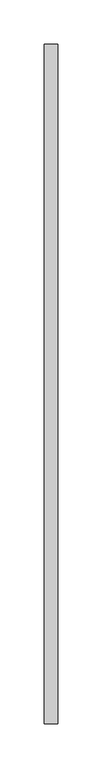
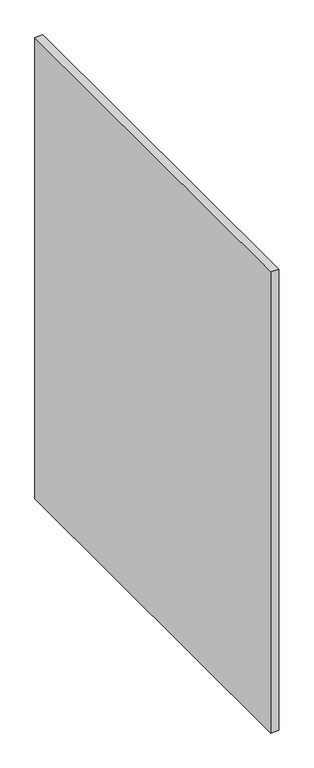
"""IFC4 building model written with IfcOpenShell, lengths in millimetres: proxy geometry."""

from ifc_helpers import new_model, si_unit, frame, origin, place, context, project, spatial, polyline, outline, extrude, source, transform, mapped, element, save


def generic_models_718da539(model_context):
    return source(origin(), model_context, "Body", "SweptSolid", [
        extrude(outline(polyline([(37244.6926168, -22016.7096261), (37244.6926168, -22782.4260883), (37229.7066168, -22782.4260883), (37229.7066168, -22016.7096261), (37244.6926168, -22016.7096261)])), frame((0.0, 0.0, 1524.0), z_axis=(0.0, 0.0, 1.0), x_axis=(1.0, 0.0, 0.0)), (0.0, 0.0, 1.0), 914.4),
    ])


if __name__ == "__main__":
    model = new_model("IFC4")
    model_context = context("Model", 3, world=origin())
    ifc_project = project(units=[si_unit("LENGTHUNIT", "METRE", prefix="MILLI")], contexts=[model_context])
    site = spatial("IfcSite", under=ifc_project)
    building = spatial("IfcBuilding", under=site)
    placement = place(None, origin())
    generic_models_shape = generic_models_718da539(model_context)
    element("IfcBuildingElementProxy", 1, Name="Generic Models", at=placement, inside=building, context=model_context, shape_type="MappedRepresentation", body=[
        mapped(generic_models_shape, transform((0.0, 0.0, 0.0), x_axis=(1.0, 0.0, 0.0), y_axis=(0.0, 1.0, 0.0), z_axis=(0.0, 0.0, 1.0))),
    ])
    save(model, "model.ifc")
